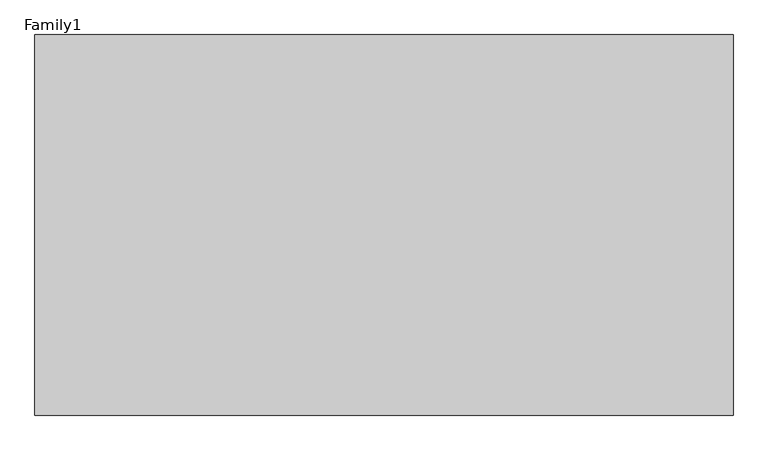
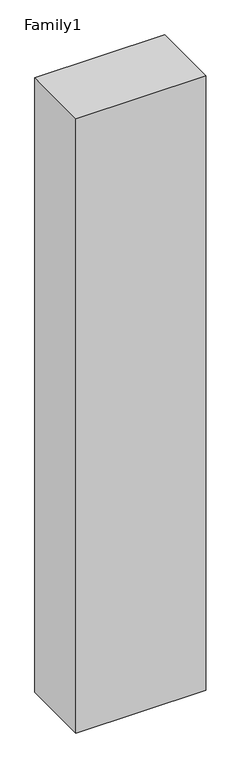
"""IFC4 building model written with IfcOpenShell, lengths in millimetres: proxy geometry, Family1."""

from ifc_helpers import new_model, si_unit, origin, origin_with_axes, place, context, project, spatial, polyline, outline, extrude, source, transform, mapped, element, save


def family1_b3317241(model_context):
    return source(origin(), model_context, "Body", "SweptSolid", [
        extrude(outline(polyline([(5500.0, 0.0), (0.0, 0.0), (0.0, 3000.0), (5500.0, 3000.0), (5500.0, 0.0)])), origin_with_axes(), (0.0, 0.0, 1.0), 27500.0),
    ])


if __name__ == "__main__":
    model = new_model("IFC4")
    model_context = context("Model", 3, world=origin())
    ifc_project = project(units=[si_unit("LENGTHUNIT", "METRE", prefix="MILLI")], contexts=[model_context])
    site = spatial("IfcSite", under=ifc_project)
    building = spatial("IfcBuilding", under=site)
    placement = place(None, origin())
    family1_shape = family1_b3317241(model_context)
    element("IfcBuildingElementProxy", 1, Name="Family1", ObjectType="Family1", at=placement, inside=building, context=model_context, shape_type="MappedRepresentation", body=[
        mapped(family1_shape, transform((0.0, 0.0, 0.0), x_axis=(1.0, 0.0, 0.0), y_axis=(0.0, 1.0, 0.0), z_axis=(0.0, 0.0, 1.0))),
    ])
    save(model, "model.ifc")
